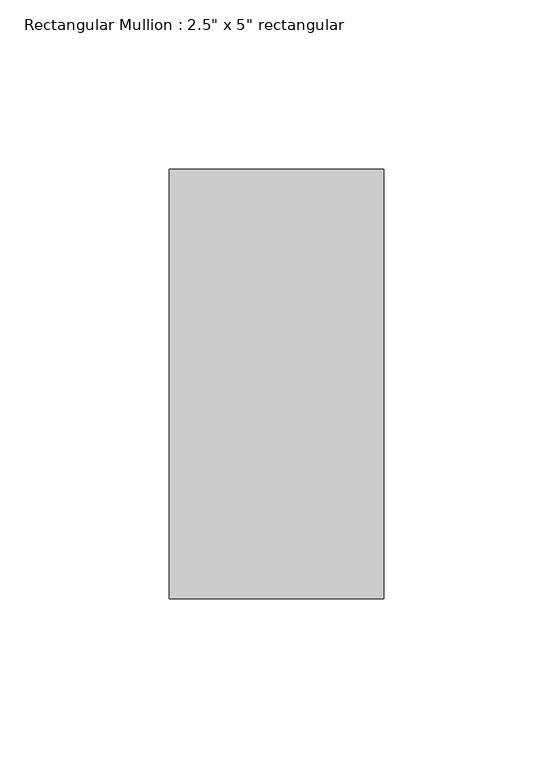
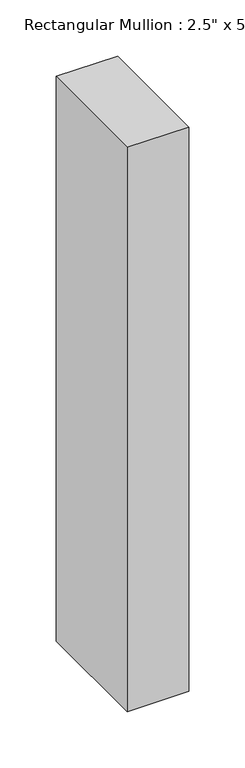
"""IFC4 building model written with IfcOpenShell, lengths in millimetres: member geometry."""

from ifc_helpers import new_model, si_unit, frame, origin, place, context, project, spatial, polyline, outline, extrude, source, transform, mapped, element, save


def member_10b4f918(model_context):
    return source(origin(), model_context, "Body", "SweptSolid", [
        extrude(outline(polyline([(0.0, 0.0), (0.2951958, -63.5), (-614.6144921, -63.5), (-614.2758978, 0.0), (0.0, 0.0)])), frame((0.0, -63.5, 0.0), z_axis=(0.0, 1.0, 0.0), x_axis=(0.0, 0.0, 1.0)), (0.0, 0.0, 1.0), 127.0),
    ])


if __name__ == "__main__":
    model = new_model("IFC4")
    model_context = context("Model", 3, world=origin())
    ifc_project = project(units=[si_unit("LENGTHUNIT", "METRE", prefix="MILLI")], contexts=[model_context])
    site = spatial("IfcSite", under=ifc_project)
    building = spatial("IfcBuilding", under=site)
    placement = place(None, origin())
    member_shape = member_10b4f918(model_context)
    element("IfcMember", 1, ObjectType="Rectangular Mullion : 2.5\" x 5\" rectangular", at=placement, inside=building, context=model_context, shape_type="MappedRepresentation", body=[
        mapped(member_shape, transform((0.0, 0.0, 0.0), x_axis=(1.0, 0.0, 0.0), y_axis=(0.0, 1.0, 0.0), z_axis=(0.0, 0.0, 1.0))),
    ])
    save(model, "model.ifc")
